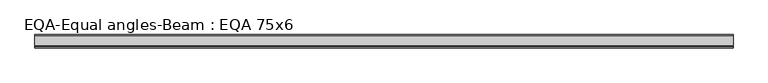
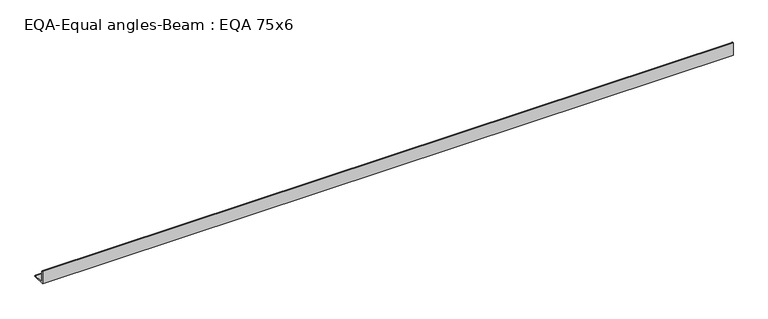
"""IFC4 building model written with IfcOpenShell, lengths in millimetres: beam geometry, EQA-Equal angles-Beam : EQA 75x6."""

from ifc_helpers import new_model, si_unit, point, frame, frame_2d, origin, place, context, project, spatial, polyline, circle_curve, trimmed, segment, composite_curve, outline, extrude, source, transform, mapped, element, save


def eqa_equal_angles_beam_eqa_75x6_82b3e7eb(model_context):
    return source(origin(), model_context, "Body", "SweptSolid", [
        extrude(outline(composite_curve([segment(polyline([(-20.5, -20.5), (-20.5, 54.5), (-19.0, 54.5)]), True, "CONTINUOUS"), segment(trimmed(circle_curve(frame_2d((-19.0, 50.0)), 4.5), [point((-19.0, 54.5))], [point((-14.5, 50.0))], False, "CARTESIAN"), True, "CONTINUOUS"), segment(polyline([(-14.5, 50.0), (-14.5, -5.5)]), True, "CONTINUOUS"), segment(trimmed(circle_curve(frame_2d((-5.5, -5.5)), 9.0), [point((-14.5, -5.5))], [point((-5.5, -14.5))], True, "CARTESIAN"), True, "CONTINUOUS"), segment(polyline([(-5.5, -14.5), (50.0, -14.5)]), True, "CONTINUOUS"), segment(trimmed(circle_curve(frame_2d((50.0, -19.0)), 4.5), [point((50.0, -14.5))], [point((54.5, -19.0))], False, "CARTESIAN"), True, "CONTINUOUS"), segment(polyline([(54.5, -19.0), (54.5, -20.5), (-20.5, -20.5)]), True, "CONTINUOUS")], self_intersect=False)), frame((-1837.4828698, 0.0, 0.0), z_axis=(1.0, 0.0, 0.0), x_axis=(0.0, 1.0, 0.0)), (0.0, 0.0, 1.0), 3897.729297),
    ])


if __name__ == "__main__":
    model = new_model("IFC4")
    model_context = context("Model", 3, world=origin())
    ifc_project = project(units=[si_unit("LENGTHUNIT", "METRE", prefix="MILLI")], contexts=[model_context])
    site = spatial("IfcSite", under=ifc_project)
    building = spatial("IfcBuilding", under=site)
    placement = place(None, origin())
    eqa_equal_angles_beam_eqa_75x6_shape = eqa_equal_angles_beam_eqa_75x6_82b3e7eb(model_context)
    element("IfcBeam", 1, ObjectType="EQA-Equal angles-Beam : EQA 75x6", at=placement, inside=building, context=model_context, shape_type="MappedRepresentation", body=[
        mapped(eqa_equal_angles_beam_eqa_75x6_shape, transform((0.0, 0.0, 0.0), x_axis=(1.0, 0.0, 0.0), y_axis=(0.0, 1.0, 0.0), z_axis=(0.0, 0.0, 1.0))),
    ])
    save(model, "model.ifc")
